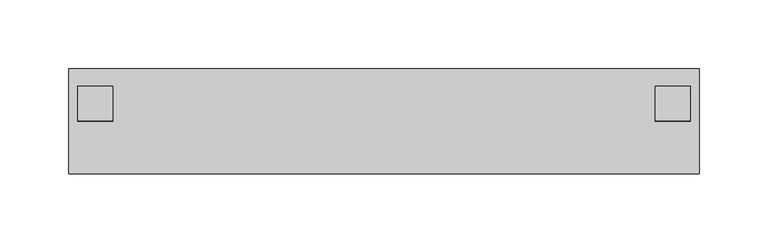
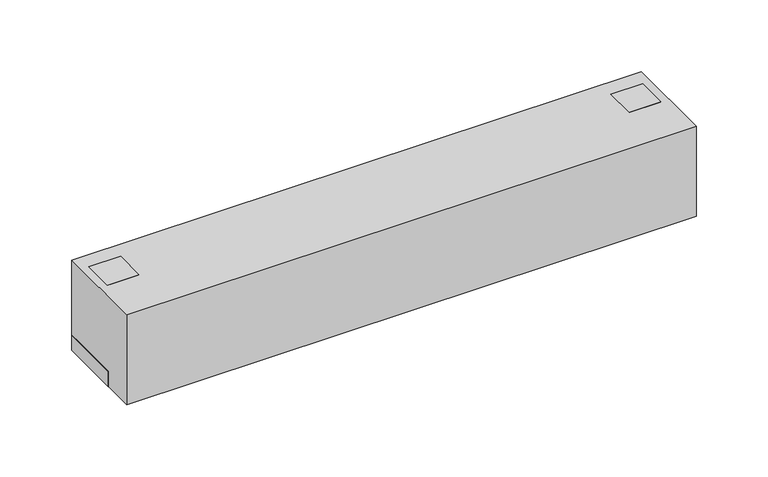
"""IFC4 building model written with IfcOpenShell, lengths in millimetres: proxy geometry."""

from ifc_helpers import new_model, si_unit, frame, origin, origin_with_axes, place, context, project, spatial, polyline, outline, extrude, source, transform, mapped, element, save


def specialty_equipment_0258ef40(model_context):
    return source(origin(), model_context, "Body", "SweptSolid", [
        extrude(outline(polyline([(69.85, 12.7), (31.75, 12.7), (38.1, 76.2), (63.5, 76.2), (69.85, 12.7)])), frame((-222.25, 0.0, 0.0), z_axis=(1.0, 0.0, 0.0), x_axis=(0.0, 1.0, 0.0)), (0.0, 0.0, 1.0), 25.4),
        extrude(outline(polyline([(-190.5, 76.2), (-190.5, 25.4), (-228.6, 25.4), (-228.6, 76.2), (-190.5, 76.2)])), origin_with_axes(), (0.0, 0.0, 1.0), 12.7),
        extrude(outline(polyline([(196.85, 60.325), (196.85, 41.275), (-196.85, 41.275), (-196.85, 60.325), (196.85, 60.325)])), frame((0.0, 0.0, 50.8), z_axis=(0.0, 0.0, 1.0), x_axis=(1.0, 0.0, 0.0)), (0.0, 0.0, 1.0), 19.05),
        extrude(outline(polyline([(69.85, 12.7), (31.75, 12.7), (38.1, 76.2), (63.5, 76.2), (69.85, 12.7)])), frame((196.85, 0.0, 0.0), z_axis=(1.0, 0.0, 0.0), x_axis=(0.0, 1.0, 0.0)), (0.0, 0.0, 1.0), 25.4),
        extrude(outline(polyline([(190.5, 76.2), (228.6, 76.2), (228.6, 25.4), (190.5, 25.4), (190.5, 76.2)])), origin_with_axes(), (0.0, 0.0, 1.0), 12.7),
        extrude(outline(polyline([(228.6, 76.2), (228.6, 0.0), (-228.6, 0.0), (-228.6, 76.2), (228.6, 76.2)])), origin_with_axes(), (0.0, 0.0, 1.0), 76.2),
    ])


if __name__ == "__main__":
    model = new_model("IFC4")
    model_context = context("Model", 3, world=origin())
    ifc_project = project(units=[si_unit("LENGTHUNIT", "METRE", prefix="MILLI")], contexts=[model_context])
    site = spatial("IfcSite", under=ifc_project)
    building = spatial("IfcBuilding", under=site)
    placement = place(None, origin())
    specialty_equipment_shape = specialty_equipment_0258ef40(model_context)
    element("IfcBuildingElementProxy", 1, Name="Specialty Equipment", at=placement, inside=building, context=model_context, shape_type="MappedRepresentation", body=[
        mapped(specialty_equipment_shape, transform((0.0, 0.0, 0.0), x_axis=(1.0, 0.0, 0.0), y_axis=(0.0, 1.0, 0.0), z_axis=(0.0, 0.0, 1.0))),
    ])
    save(model, "model.ifc")
